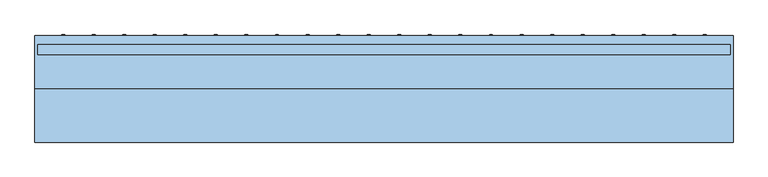
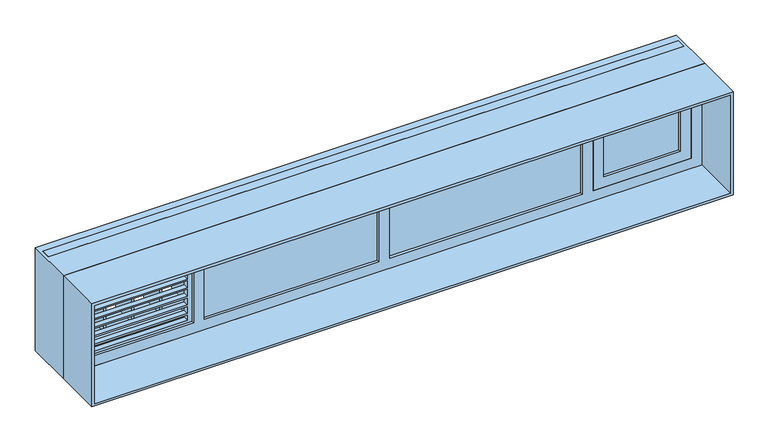
"""IFC4 building model written with IfcOpenShell, lengths in millimetres: window geometry."""

from ifc_helpers import new_model, si_unit, frame, origin, place, context, project, spatial, polyline, outline, extrude, source, transform, mapped, element, save


def window_749f60a5(model_context):
    return source(origin(), model_context, "Body", "SweptSolid", [
        extrude(outline(polyline([(1630.2272727, 399.3), (1630.2272727, 250.0), (1615.2272727, 250.0), (1615.2272727, 399.3), (1630.2272727, 399.3)])), frame((0.0, 0.0, 900.0), z_axis=(0.0, 0.0, 1.0), x_axis=(1.0, 0.0, 0.0)), (0.0, 0.0, 1.0), 450.0),
        extrude(outline(polyline([(1475.6818182, 399.3), (1475.6818182, 250.0), (1460.6818182, 250.0), (1460.6818182, 399.3), (1475.6818182, 399.3)])), frame((0.0, 0.0, 900.0), z_axis=(0.0, 0.0, 1.0), x_axis=(1.0, 0.0, 0.0)), (0.0, 0.0, 1.0), 450.0),
        extrude(outline(polyline([(1321.1363636, 399.3), (1321.1363636, 250.0), (1306.1363636, 250.0), (1306.1363636, 399.3), (1321.1363636, 399.3)])), frame((0.0, 0.0, 900.0), z_axis=(0.0, 0.0, 1.0), x_axis=(1.0, 0.0, 0.0)), (0.0, 0.0, 1.0), 450.0),
        extrude(outline(polyline([(1166.5909091, 399.3), (1166.5909091, 250.0), (1151.5909091, 250.0), (1151.5909091, 399.3), (1166.5909091, 399.3)])), frame((0.0, 0.0, 900.0), z_axis=(0.0, 0.0, 1.0), x_axis=(1.0, 0.0, 0.0)), (0.0, 0.0, 1.0), 450.0),
        extrude(outline(polyline([(1012.0454545, 399.3), (1012.0454545, 250.0), (997.0454545, 250.0), (997.0454545, 399.3), (1012.0454545, 399.3)])), frame((0.0, 0.0, 900.0), z_axis=(0.0, 0.0, 1.0), x_axis=(1.0, 0.0, 0.0)), (0.0, 0.0, 1.0), 450.0),
        extrude(outline(polyline([(857.5, 399.3), (857.5, 250.0), (842.5, 250.0), (842.5, 399.3), (857.5, 399.3)])), frame((0.0, 0.0, 900.0), z_axis=(0.0, 0.0, 1.0), x_axis=(1.0, 0.0, 0.0)), (0.0, 0.0, 1.0), 450.0),
        extrude(outline(polyline([(702.9545455, 399.3), (702.9545455, 250.0), (687.9545455, 250.0), (687.9545455, 399.3), (702.9545455, 399.3)])), frame((0.0, 0.0, 900.0), z_axis=(0.0, 0.0, 1.0), x_axis=(1.0, 0.0, 0.0)), (0.0, 0.0, 1.0), 450.0),
        extrude(outline(polyline([(548.4090909, 399.3), (548.4090909, 250.0), (533.4090909, 250.0), (533.4090909, 399.3), (548.4090909, 399.3)])), frame((0.0, 0.0, 900.0), z_axis=(0.0, 0.0, 1.0), x_axis=(1.0, 0.0, 0.0)), (0.0, 0.0, 1.0), 450.0),
        extrude(outline(polyline([(393.8636364, 399.3), (393.8636364, 250.0), (378.8636364, 250.0), (378.8636364, 399.3), (393.8636364, 399.3)])), frame((0.0, 0.0, 900.0), z_axis=(0.0, 0.0, 1.0), x_axis=(1.0, 0.0, 0.0)), (0.0, 0.0, 1.0), 450.0),
        extrude(outline(polyline([(239.3181818, 399.3), (239.3181818, 250.0), (224.3181818, 250.0), (224.3181818, 399.3), (239.3181818, 399.3)])), frame((0.0, 0.0, 900.0), z_axis=(0.0, 0.0, 1.0), x_axis=(1.0, 0.0, 0.0)), (0.0, 0.0, 1.0), 450.0),
        extrude(outline(polyline([(84.7727273, 399.3), (84.7727273, 250.0), (69.7727273, 250.0), (69.7727273, 399.3), (84.7727273, 399.3)])), frame((0.0, 0.0, 900.0), z_axis=(0.0, 0.0, 1.0), x_axis=(1.0, 0.0, 0.0)), (0.0, 0.0, 1.0), 450.0),
        extrude(outline(polyline([(-69.7727273, 399.3), (-69.7727273, 250.0), (-84.7727273, 250.0), (-84.7727273, 399.3), (-69.7727273, 399.3)])), frame((0.0, 0.0, 900.0), z_axis=(0.0, 0.0, 1.0), x_axis=(1.0, 0.0, 0.0)), (0.0, 0.0, 1.0), 450.0),
        extrude(outline(polyline([(-224.3181818, 399.3), (-224.3181818, 250.0), (-239.3181818, 250.0), (-239.3181818, 399.3), (-224.3181818, 399.3)])), frame((0.0, 0.0, 900.0), z_axis=(0.0, 0.0, 1.0), x_axis=(1.0, 0.0, 0.0)), (0.0, 0.0, 1.0), 450.0),
        extrude(outline(polyline([(-378.8636364, 399.3), (-378.8636364, 250.0), (-393.8636364, 250.0), (-393.8636364, 399.3), (-378.8636364, 399.3)])), frame((0.0, 0.0, 900.0), z_axis=(0.0, 0.0, 1.0), x_axis=(1.0, 0.0, 0.0)), (0.0, 0.0, 1.0), 450.0),
        extrude(outline(polyline([(-533.4090909, 399.3), (-533.4090909, 250.0), (-548.4090909, 250.0), (-548.4090909, 399.3), (-533.4090909, 399.3)])), frame((0.0, 0.0, 900.0), z_axis=(0.0, 0.0, 1.0), x_axis=(1.0, 0.0, 0.0)), (0.0, 0.0, 1.0), 450.0),
        extrude(outline(polyline([(-687.9545455, 399.3), (-687.9545455, 250.0), (-702.9545455, 250.0), (-702.9545455, 399.3), (-687.9545455, 399.3)])), frame((0.0, 0.0, 900.0), z_axis=(0.0, 0.0, 1.0), x_axis=(1.0, 0.0, 0.0)), (0.0, 0.0, 1.0), 450.0),
        extrude(outline(polyline([(-842.5, 399.3), (-842.5, 250.0), (-857.5, 250.0), (-857.5, 399.3), (-842.5, 399.3)])), frame((0.0, 0.0, 900.0), z_axis=(0.0, 0.0, 1.0), x_axis=(1.0, 0.0, 0.0)), (0.0, 0.0, 1.0), 450.0),
        extrude(outline(polyline([(-997.0454545, 399.3), (-997.0454545, 250.0), (-1012.0454545, 250.0), (-1012.0454545, 399.3), (-997.0454545, 399.3)])), frame((0.0, 0.0, 900.0), z_axis=(0.0, 0.0, 1.0), x_axis=(1.0, 0.0, 0.0)), (0.0, 0.0, 1.0), 450.0),
        extrude(outline(polyline([(-1151.5909091, 399.3), (-1151.5909091, 250.0), (-1166.5909091, 250.0), (-1166.5909091, 399.3), (-1151.5909091, 399.3)])), frame((0.0, 0.0, 900.0), z_axis=(0.0, 0.0, 1.0), x_axis=(1.0, 0.0, 0.0)), (0.0, 0.0, 1.0), 450.0),
        extrude(outline(polyline([(-1306.1363636, 399.3), (-1306.1363636, 250.0), (-1321.1363636, 250.0), (-1321.1363636, 399.3), (-1306.1363636, 399.3)])), frame((0.0, 0.0, 900.0), z_axis=(0.0, 0.0, 1.0), x_axis=(1.0, 0.0, 0.0)), (0.0, 0.0, 1.0), 450.0),
        extrude(outline(polyline([(-1460.6818182, 399.3), (-1460.6818182, 250.0), (-1475.6818182, 250.0), (-1475.6818182, 399.3), (-1460.6818182, 399.3)])), frame((0.0, 0.0, 900.0), z_axis=(0.0, 0.0, 1.0), x_axis=(1.0, 0.0, 0.0)), (0.0, 0.0, 1.0), 450.0),
        extrude(outline(polyline([(-1615.2272727, 399.3), (-1615.2272727, 250.0), (-1630.2272727, 250.0), (-1630.2272727, 399.3), (-1615.2272727, 399.3)])), frame((0.0, 0.0, 900.0), z_axis=(0.0, 0.0, 1.0), x_axis=(1.0, 0.0, 0.0)), (0.0, 0.0, 1.0), 450.0),
        extrude(outline(polyline([(-950.0, 299.65), (-1000.0, 299.65), (-1000.0, 349.65), (-950.0, 349.65), (-950.0, 299.65)])), frame((0.0, 0.0, 800.0), z_axis=(0.0, 0.0, 1.0), x_axis=(1.0, 0.0, 0.0)), (0.0, 0.0, 1.0), 50.0),
        extrude(outline(polyline([(1000.0, 299.65), (950.0, 299.65), (950.0, 349.65), (1000.0, 349.65), (1000.0, 299.65)])), frame((0.0, 0.0, 800.0), z_axis=(0.0, 0.0, 1.0), x_axis=(1.0, 0.0, 0.0)), (0.0, 0.0, 1.0), 50.0),
        extrude(outline(polyline([(1400.0, 1750.0), (1400.0, -1750.0), (850.0, -1750.0), (850.0, 1750.0), (1400.0, 1750.0)]), holes=[polyline([(1350.0, 1700.0), (900.0, 1700.0), (900.0, -1700.0), (1350.0, -1700.0), (1350.0, 1700.0)])]), frame((0.0, 299.65, 0.0), z_axis=(0.0, 1.0, 0.0), x_axis=(0.0, 0.0, 1.0)), (0.0, 0.0, 1.0), 50.0),
        extrude(outline(polyline([(1325.0, 1690.0), (1325.0, 1150.0), (875.0, 1150.0), (875.0, 1690.0), (1325.0, 1690.0)]), holes=[polyline([(1265.0, 1630.2272727), (935.0, 1630.2272727), (935.0, 1210.0), (1265.0, 1210.0), (1265.0, 1630.2272727)])]), frame((0.0, 125.0, 0.0), z_axis=(0.0, 1.0, 0.0), x_axis=(0.0, 0.0, 1.0)), (0.0, 0.0, 1.0), 60.0),
        extrude(outline(polyline([(1325.0, -1690.0), (875.0, -1690.0), (875.0, -1050.0), (1325.0, -1050.0), (1325.0, -1690.0)]), holes=[polyline([(970.0, -1665.0), (970.0, -1075.0), (930.0, -1075.0), (930.0, -1665.0), (970.0, -1665.0)]), polyline([(920.0, -1665.0), (920.0, -1075.0), (890.0, -1075.0), (890.0, -1665.0), (920.0, -1665.0)]), polyline([(1305.0, -1665.0), (1305.0, -1075.0), (1280.0, -1075.0), (1280.0, -1665.0), (1305.0, -1665.0)]), polyline([(1270.0, -1665.0), (1270.0, -1075.0), (1230.0, -1075.0), (1230.0, -1665.0), (1270.0, -1665.0)]), polyline([(1220.0, -1075.0), (1180.0, -1075.0), (1180.0, -1665.0), (1220.0, -1665.0), (1220.0, -1075.0)]), polyline([(1170.0, -1665.0), (1170.0, -1075.0), (1130.0, -1075.0), (1130.0, -1665.0), (1170.0, -1665.0)]), polyline([(1120.0, -1665.0), (1120.0, -1075.0), (1080.0, -1075.0), (1080.0, -1665.0), (1120.0, -1665.0)]), polyline([(1070.0, -1665.0), (1070.0, -1075.0), (1030.0, -1075.0), (1030.0, -1665.0), (1070.0, -1665.0)]), polyline([(1020.0, -1665.0), (1020.0, -1075.0), (980.0, -1075.0), (980.0, -1665.0), (1020.0, -1665.0)])]), frame((0.0, 140.0, 0.0), z_axis=(0.0, 1.0, 0.0), x_axis=(0.0, 0.0, 1.0)), (0.0, 0.0, 1.0), 30.0),
        extrude(outline(polyline([(1400.0, 1765.0), (1400.0, -1765.0), (800.0, -1765.0), (800.0, 1765.0), (1400.0, 1765.0)]), holes=[polyline([(815.0, 1750.0), (815.0, -1750.0), (1385.0, -1750.0), (1385.0, 1750.0), (815.0, 1750.0)])]), frame((0.0, -145.0, 0.0), z_axis=(0.0, 1.0, 0.0), x_axis=(0.0, 0.0, 1.0)), (0.0, 0.0, 1.0), 270.0),
        extrude(outline(polyline([(1400.0, -1765.0), (800.0, -1765.0), (800.0, 1765.0), (1400.0, 1765.0), (1400.0, -1765.0)]), holes=[polyline([(815.0, 1750.0), (815.0, -1750.0), (1385.0, -1750.0), (1385.0, 1750.0), (815.0, 1750.0)])]), frame((0.0, 125.0, 0.0), z_axis=(0.0, 1.0, 0.0), x_axis=(0.0, 0.0, 1.0)), (0.0, 0.0, 1.0), 270.0),
        extrude(outline(polyline([(1630.2272727, 140.0), (1210.0, 140.0), (1210.0, 170.0), (1630.2272727, 170.0), (1630.2272727, 140.0)])), frame((0.0, 0.0, 935.0), z_axis=(0.0, 0.0, 1.0), x_axis=(1.0, 0.0, 0.0)), (0.0, 0.0, 1.0), 330.0),
        extrude(outline(polyline([(1090.0, 140.0), (30.0, 140.0), (30.0, 170.0), (1090.0, 170.0), (1090.0, 140.0)])), frame((0.0, 0.0, 875.0), z_axis=(0.0, 0.0, 1.0), x_axis=(1.0, 0.0, 0.0)), (0.0, 0.0, 1.0), 450.0),
        extrude(outline(polyline([(-30.0, 140.0), (-990.0, 140.0), (-990.0, 170.0), (-30.0, 170.0), (-30.0, 140.0)])), frame((0.0, 0.0, 875.0), z_axis=(0.0, 0.0, 1.0), x_axis=(1.0, 0.0, 0.0)), (0.0, 0.0, 1.0), 450.0),
        extrude(outline(polyline([(1400.0, -1750.0), (800.0, -1750.0), (800.0, 1750.0), (1400.0, 1750.0), (1400.0, -1750.0)]), holes=[polyline([(875.0, -30.0), (875.0, -990.0), (1325.0, -990.0), (1325.0, -30.0), (875.0, -30.0)]), polyline([(1325.0, 1150.0), (1325.0, 1690.0), (875.0, 1690.0), (875.0, 1150.0), (1325.0, 1150.0)]), polyline([(1325.0, 30.0), (1325.0, 1090.0), (875.0, 1090.0), (875.0, 30.0), (1325.0, 30.0)]), polyline([(1325.0, -1690.0), (1325.0, -1050.0), (875.0, -1050.0), (875.0, -1690.0), (1325.0, -1690.0)])]), frame((0.0, 125.0, 0.0), z_axis=(0.0, 1.0, 0.0), x_axis=(0.0, 0.0, 1.0)), (0.0, 0.0, 1.0), 60.0),
    ])


if __name__ == "__main__":
    model = new_model("IFC4")
    model_context = context("Model", 3, world=origin())
    ifc_project = project(units=[si_unit("LENGTHUNIT", "METRE", prefix="MILLI")], contexts=[model_context])
    site = spatial("IfcSite", under=ifc_project)
    building = spatial("IfcBuilding", under=site)
    placement = place(None, origin())
    window_shape = window_749f60a5(model_context)
    element("IfcWindow", 1, at=placement, inside=building, context=model_context, shape_type="MappedRepresentation", body=[
        mapped(window_shape, transform((0.0, 0.0, 0.0), x_axis=(1.0, 0.0, 0.0), y_axis=(0.0, 1.0, 0.0), z_axis=(0.0, 0.0, 1.0))),
    ])
    save(model, "model.ifc")
